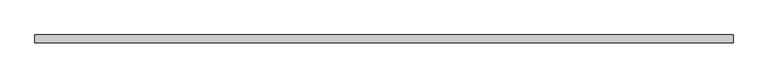
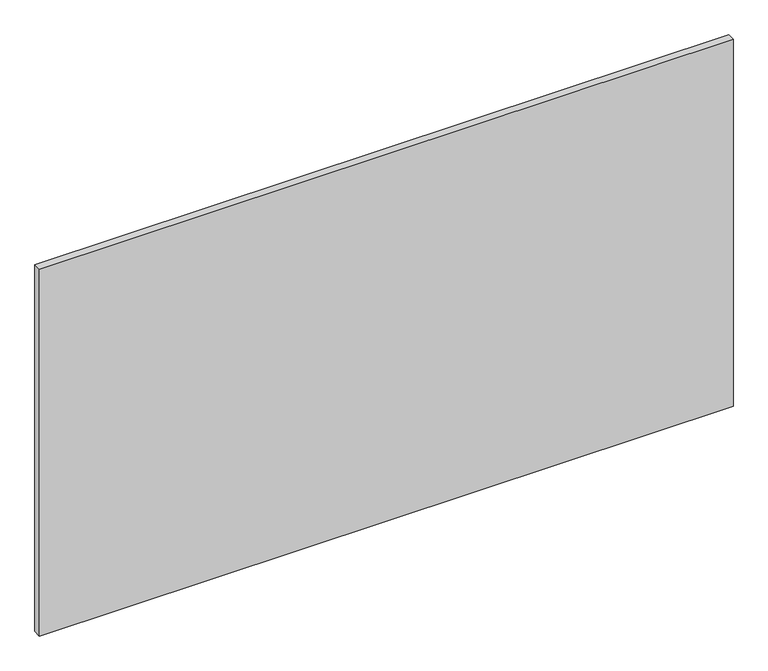
"""IFC4 building model written with IfcOpenShell, lengths in millimetres: plate geometry."""

from ifc_helpers import new_model, si_unit, origin, origin_with_axes, place, context, project, spatial, polyline, outline, extrude, source, transform, mapped, element, save


def plate_44725b8f(model_context):
    return source(origin(), model_context, "Body", "SweptSolid", [
        extrude(outline(polyline([(612.5, -64.0), (-612.5, -64.0), (-612.5, -50.0), (612.5, -50.0), (612.5, -64.0)])), origin_with_axes(), (0.0, 0.0, 1.0), 685.0),
    ])


if __name__ == "__main__":
    model = new_model("IFC4")
    model_context = context("Model", 3, world=origin())
    ifc_project = project(units=[si_unit("LENGTHUNIT", "METRE", prefix="MILLI")], contexts=[model_context])
    site = spatial("IfcSite", under=ifc_project)
    building = spatial("IfcBuilding", under=site)
    placement = place(None, origin())
    plate_shape = plate_44725b8f(model_context)
    element("IfcPlate", 1, at=placement, inside=building, context=model_context, shape_type="MappedRepresentation", body=[
        mapped(plate_shape, transform((0.0, 0.0, 0.0), x_axis=(1.0, 0.0, 0.0), y_axis=(0.0, 1.0, 0.0), z_axis=(0.0, 0.0, 1.0))),
    ])
    save(model, "model.ifc")
